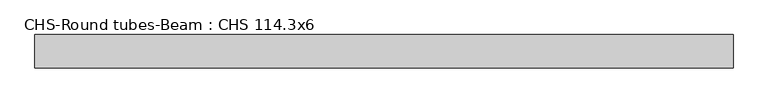
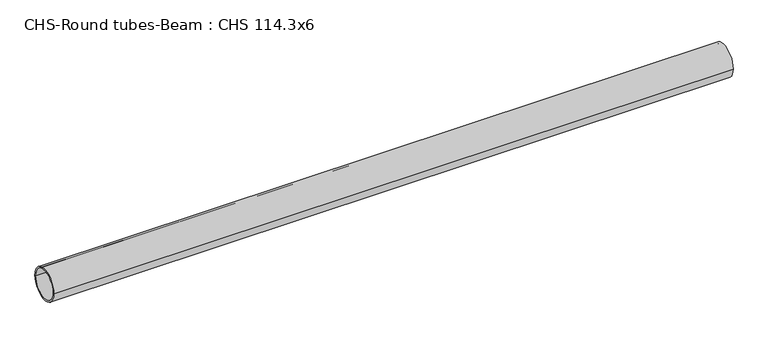
"""IFC4 building model written with IfcOpenShell, lengths in millimetres: beam geometry, CHS-Round tubes-Beam : CHS 114.3x6."""

from ifc_helpers import new_model, si_unit, point, frame, origin, origin_2d, place, context, project, spatial, circle_curve, trimmed, segment, composite_curve, outline, extrude, source, transform, mapped, element, save


def chs_round_tubes_beam_chs_114_3x6_e2c16429(model_context):
    return source(origin(), model_context, "Body", "SweptSolid", [
        extrude(outline(composite_curve([segment(trimmed(circle_curve(origin_2d(), 57.15), [point((57.15, 0.0))], [point((-57.15, 0.0))], False, "CARTESIAN"), True, "CONTINUOUS"), segment(trimmed(circle_curve(origin_2d(), 57.15), [point((-57.15, 0.0))], [point((57.15, 0.0))], False, "CARTESIAN"), True, "CONTINUOUS")], self_intersect=False), holes=[composite_curve([segment(trimmed(circle_curve(origin_2d(), 51.15), [point((51.15, 0.0))], [point((-51.15, 0.0))], True, "CARTESIAN"), True, "CONTINUOUS"), segment(trimmed(circle_curve(origin_2d(), 51.15), [point((-51.15, 0.0))], [point((51.15, 0.0))], True, "CARTESIAN"), True, "CONTINUOUS")], self_intersect=False)]), frame((-1121.0697134, 0.0, 0.0), z_axis=(1.0, 0.0, 0.0), x_axis=(0.0, 1.0, 0.0)), (0.0, 0.0, 1.0), 2377.2193737),
    ])


if __name__ == "__main__":
    model = new_model("IFC4")
    model_context = context("Model", 3, world=origin())
    ifc_project = project(units=[si_unit("LENGTHUNIT", "METRE", prefix="MILLI")], contexts=[model_context])
    site = spatial("IfcSite", under=ifc_project)
    building = spatial("IfcBuilding", under=site)
    placement = place(None, origin())
    chs_round_tubes_beam_chs_114_3x6_shape = chs_round_tubes_beam_chs_114_3x6_e2c16429(model_context)
    element("IfcBeam", 1, ObjectType="CHS-Round tubes-Beam : CHS 114.3x6", at=placement, inside=building, context=model_context, shape_type="MappedRepresentation", body=[
        mapped(chs_round_tubes_beam_chs_114_3x6_shape, transform((0.0, 0.0, 0.0), x_axis=(1.0, 0.0, 0.0), y_axis=(0.0, 1.0, 0.0), z_axis=(0.0, 0.0, 1.0))),
    ])
    save(model, "model.ifc")
